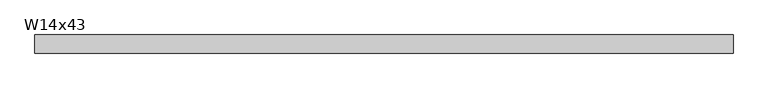
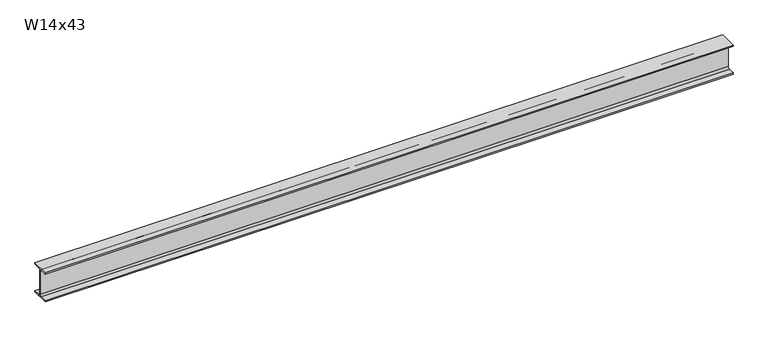
"""IFC4 building model written with IfcOpenShell, lengths in millimetres: beam geometry, W14x43."""

from ifc_helpers import new_model, si_unit, point, frame, frame_2d, origin, place, context, project, spatial, polyline, circle_curve, trimmed, segment, composite_curve, outline, extrude, source, transform, mapped, element, save


def w14x43_b75f55cd(model_context):
    return source(origin(), model_context, "Body", "SweptSolid", [
        extrude(outline(composite_curve([segment(polyline([(101.6, -160.528), (101.6, -173.99), (-101.6, -173.99), (-101.6, -160.528), (-25.3365, -160.528)]), True, "CONTINUOUS"), segment(trimmed(circle_curve(frame_2d((-25.3365, -139.065)), 21.463), [point((-25.3365, -160.528))], [point((-3.8735, -139.065))], True, "CARTESIAN"), True, "CONTINUOUS"), segment(polyline([(-3.8735, -139.065), (-3.8735, 139.065)]), True, "CONTINUOUS"), segment(trimmed(circle_curve(frame_2d((-25.3365, 139.065)), 21.463), [point((-3.8735, 139.065))], [point((-25.3365, 160.528))], True, "CARTESIAN"), True, "CONTINUOUS"), segment(polyline([(-25.3365, 160.528), (-101.6, 160.528), (-101.6, 173.99), (101.6, 173.99), (101.6, 160.528), (25.3365, 160.528)]), True, "CONTINUOUS"), segment(trimmed(circle_curve(frame_2d((25.3365, 139.065)), 21.463), [point((25.3365, 160.528))], [point((3.8735, 139.065))], True, "CARTESIAN"), True, "CONTINUOUS"), segment(polyline([(3.8735, 139.065), (3.8735, -139.065)]), True, "CONTINUOUS"), segment(trimmed(circle_curve(frame_2d((25.3365, -139.065)), 21.463), [point((3.8735, -139.065))], [point((25.3365, -160.528))], True, "CARTESIAN"), True, "CONTINUOUS"), segment(polyline([(25.3365, -160.528), (101.6, -160.528)]), True, "CONTINUOUS")], self_intersect=False)), frame((-3860.2128623, 0.0, 0.0), z_axis=(1.0, 0.0, 0.0), x_axis=(0.0, 1.0, 0.0)), (0.0, 0.0, 1.0), 7822.61316),
    ])


if __name__ == "__main__":
    model = new_model("IFC4")
    model_context = context("Model", 3, world=origin())
    ifc_project = project(units=[si_unit("LENGTHUNIT", "METRE", prefix="MILLI")], contexts=[model_context])
    site = spatial("IfcSite", under=ifc_project)
    building = spatial("IfcBuilding", under=site)
    placement = place(None, origin())
    w14x43_shape = w14x43_b75f55cd(model_context)
    element("IfcBeam", 1, ObjectType="W14x43", at=placement, inside=building, context=model_context, shape_type="MappedRepresentation", body=[
        mapped(w14x43_shape, transform((0.0, 0.0, 0.0), x_axis=(1.0, 0.0, 0.0), y_axis=(0.0, 1.0, 0.0), z_axis=(0.0, 0.0, 1.0))),
    ])
    save(model, "model.ifc")
